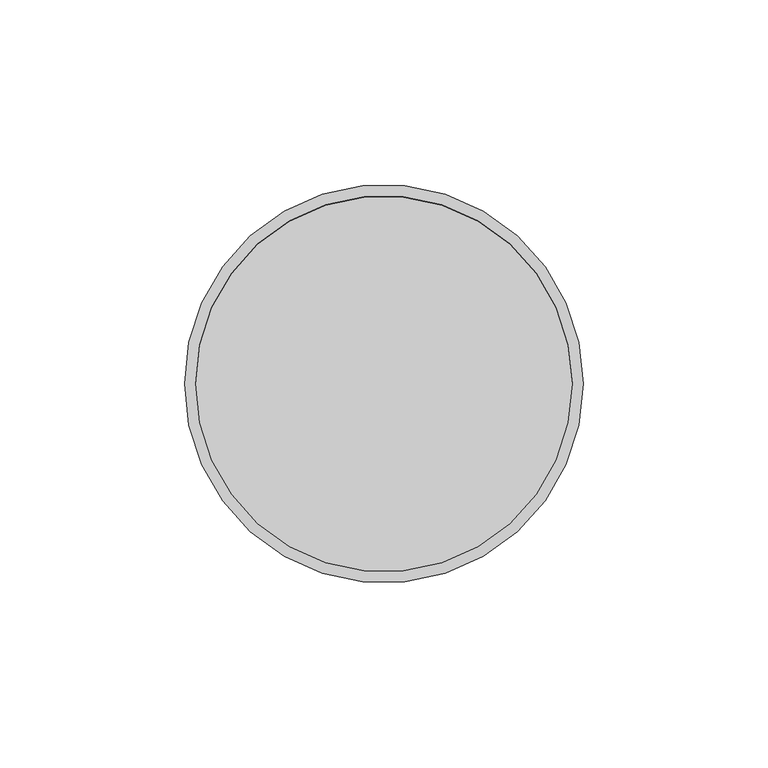
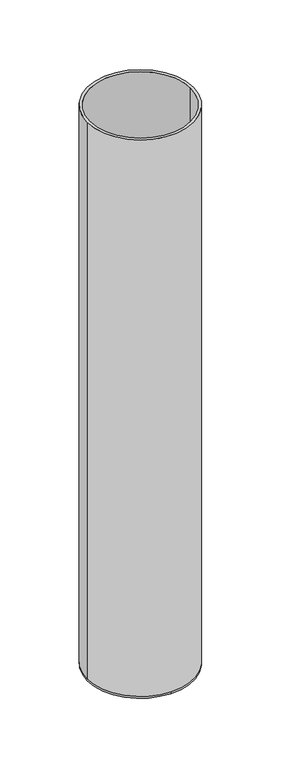
"""IFC4 building model written with IfcOpenShell, lengths in millimetres: beam geometry."""

from ifc_helpers import new_model, si_unit, frame, origin, place, context, project, spatial, polyline, circle_curve, source, transform, mapped, element, save
from ifc_brep_helpers import plane_surface, cylinder_surface, revolved_surface, advanced_brep


def beam_f3257708(model_context):
    return source(origin(), model_context, "Body", "AdvancedBrep", [
        advanced_brep(
        [(54.0, 0.0, 0.0), (-54.0, 0.0, 0.0), (51.0, 0.0, 0.0), (-51.0, 0.0, 0.0), (51.0, 0.0, -598.0), (-51.0, 0.0, -598.0), (54.0, 0.0, -598.0), (0.0, 54.0, -598.0), (-54.0, 0.0, -598.0), (0.0, -54.0, -598.0), (0.0, 54.0, -600.0), (0.0, -54.0, -600.0)],
        [
            (0, 1, circle_curve(frame((0.0, 0.0, 0.0), z_axis=(0.0, 0.0, 1.0), x_axis=(-1.0, 0.0, 0.0)), 54.0)),
            (1, 0, circle_curve(frame((0.0, 0.0, 0.0), z_axis=(0.0, 0.0, 1.0), x_axis=(-1.0, 0.0, 0.0)), 54.0)),
            (2, 3, circle_curve(frame((0.0, 0.0, 0.0), z_axis=(0.0, 0.0, -1.0), x_axis=(-1.0, 0.0, 0.0)), 51.0)),
            (3, 2, circle_curve(frame((0.0, 0.0, 0.0), z_axis=(0.0, 0.0, -1.0), x_axis=(-1.0, 0.0, 0.0)), 51.0)),
            (2, 4),
            (4, 5, circle_curve(frame((0.0, 0.0, -598.0), z_axis=(0.0, 0.0, -1.0), x_axis=(-1.0, 0.0, 0.0)), 51.0)),
            (5, 3),
            (5, 4, circle_curve(frame((0.0, 0.0, -598.0), z_axis=(0.0, 0.0, -1.0), x_axis=(-1.0, 0.0, 0.0)), 51.0)),
            (0, 6),
            (6, 7, circle_curve(frame((0.0, 0.0, -598.0), z_axis=(0.0, 0.0, 1.0), x_axis=(-1.0, 0.0, 0.0)), 54.0)),
            (7, 8, circle_curve(frame((0.0, 0.0, -598.0), z_axis=(0.0, 0.0, 1.0), x_axis=(-1.0, 0.0, 0.0)), 54.0)),
            (8, 1),
            (8, 9, circle_curve(frame((0.0, 0.0, -598.0), z_axis=(0.0, 0.0, 1.0), x_axis=(-1.0, 0.0, 0.0)), 54.0)),
            (9, 6, circle_curve(frame((0.0, 0.0, -598.0), z_axis=(0.0, 0.0, 1.0), x_axis=(-1.0, 0.0, 0.0)), 54.0)),
            (10, 11, circle_curve(frame((0.0, 0.0, -600.0), z_axis=(0.0, 0.0, -1.0), x_axis=(0.0, -1.0, 0.0)), 54.0)),
            (11, 10, circle_curve(frame((0.0, 0.0, -600.0), z_axis=(0.0, 0.0, -1.0), x_axis=(0.0, -1.0, 0.0)), 54.0)),
            (11, 9),
            (7, 10),
        ],
        [
            plane_surface(frame((0.0, 0.0, 0.0), z_axis=(0.0, 0.0, 1.0), x_axis=(0.0, -1.0, 0.0))),
            revolved_surface(polyline([(-51.0, 0.0, 0.0), (-51.0, 0.0, -598.0)]), (0.0, 0.0, -598.0), (0.0, 0.0, 1.0)),
            cylinder_surface(frame((0.0, 0.0, -598.0), z_axis=(0.0, 0.0, -1.0), x_axis=(-1.0, 0.0, 0.0)), 54.0),
            plane_surface(frame((0.0, 0.0, -598.0), z_axis=(0.0, 0.0, 1.0), x_axis=(0.0, -1.0, 0.0))),
            plane_surface(frame((0.0, 0.0, -600.0), z_axis=(0.0, 0.0, -1.0), x_axis=(0.0, -1.0, 0.0))),
            cylinder_surface(frame((0.0, 0.0, -598.0), z_axis=(0.0, 0.0, 1.0), x_axis=(0.0, -1.0, 0.0)), 54.0),
        ],
        [
            (0, [[1, 2], [3, 4]]),
            (1, [[-3, 5, 6, 7]]),
            (1, [[-4, -7, 8, -5]]),
            (2, [[-1, 9, 10, 11, 12]]),
            (2, [[-2, -12, 13, 14, -9]]),
            (3, [[-6, -8]]),
            (4, [[15, 16]]),
            (5, [[-16, 17, -13, -11, 18]]),
            (5, [[-15, -18, -10, -14, -17]]),
        ],
    ),
    ])


if __name__ == "__main__":
    model = new_model("IFC4")
    model_context = context("Model", 3, world=origin())
    ifc_project = project(units=[si_unit("LENGTHUNIT", "METRE", prefix="MILLI")], contexts=[model_context])
    site = spatial("IfcSite", under=ifc_project)
    building = spatial("IfcBuilding", under=site)
    placement = place(None, origin())
    beam_shape = beam_f3257708(model_context)
    element("IfcBeam", 1, at=placement, inside=building, context=model_context, shape_type="MappedRepresentation", body=[
        mapped(beam_shape, transform((0.0, 0.0, 0.0), x_axis=(1.0, 0.0, 0.0), y_axis=(0.0, 1.0, 0.0), z_axis=(0.0, 0.0, 1.0))),
    ])
    save(model, "model.ifc")
